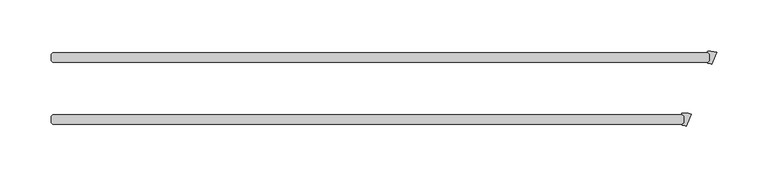
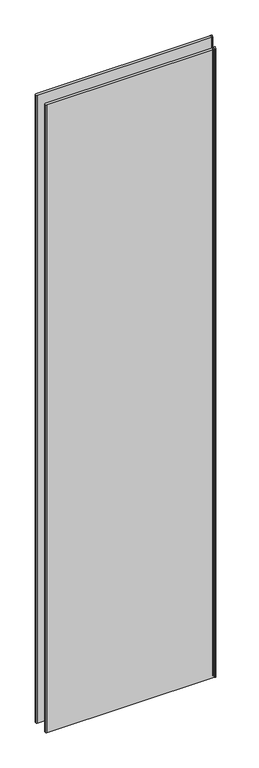
"""IFC4 building model written with IfcOpenShell, lengths in millimetres: plate geometry."""

from ifc_helpers import new_model, si_unit, point, frame_2d, origin, origin_with_axes, place, context, project, spatial, polyline, circle_curve, trimmed, segment, composite_curve, outline, extrude, source, transform, mapped, element, save


def plate_56c91f69(model_context):
    return source(origin(), model_context, "Body", "SweptSolid", [
        extrude(outline(composite_curve([segment(polyline([(331.659972, 35.1433375), (326.9309388, 23.7264413)]), True, "CONTINUOUS"), segment(trimmed(circle_curve(frame_2d((323.2331067, 16.386585)), 8.2187257), [point((326.9309388, 23.7264413))], [point((323.4004278, 24.6036073))], True, "CARTESIAN"), True, "CONTINUOUS"), segment(trimmed(circle_curve(frame_2d((323.4085076, 25.0004)), 0.396875), [point((323.4004278, 24.6036073))], [point((323.1278746, 25.2810331))], False, "CARTESIAN"), True, "CONTINUOUS"), segment(polyline([(323.1278746, 25.2810331), (324.8343416, 26.9875), (324.8343416, 33.3375), (322.7551339, 35.4167077)]), True, "CONTINUOUS"), segment(trimmed(circle_curve(frame_2d((323.0357669, 35.6973407)), 0.396875), [point((322.7551339, 35.4167077))], [point((322.9799997, 36.0902781))], False, "CARTESIAN"), True, "CONTINUOUS"), segment(trimmed(circle_curve(frame_2d((325.462995, 18.5950115)), 17.6705863), [point((322.9799997, 36.0902781))], [point((331.659972, 35.1433375))], False, "CARTESIAN"), True, "CONTINUOUS")], self_intersect=False)), origin_with_axes(), (0.0, 0.0, 1.0), 2428.7789267),
        extrude(outline(composite_curve([segment(polyline([(306.6725389, -25.1816625), (301.9435056, -36.5985587)]), True, "CONTINUOUS"), segment(trimmed(circle_curve(frame_2d((298.2456736, -43.938415)), 8.2187257), [point((301.9435056, -36.5985587))], [point((298.4129947, -35.7213927))], True, "CARTESIAN"), True, "CONTINUOUS"), segment(trimmed(circle_curve(frame_2d((298.4210745, -35.3246)), 0.396875), [point((298.4129947, -35.7213927))], [point((298.1404415, -35.0439669))], False, "CARTESIAN"), True, "CONTINUOUS"), segment(polyline([(298.1404415, -35.0439669), (299.8469084, -33.3375), (299.8469084, -26.9875), (297.7677007, -24.9082923)]), True, "CONTINUOUS"), segment(trimmed(circle_curve(frame_2d((298.0483337, -24.6276593)), 0.396875), [point((297.7677007, -24.9082923))], [point((297.9925665, -24.2347219))], False, "CARTESIAN"), True, "CONTINUOUS"), segment(trimmed(circle_curve(frame_2d((300.4755618, -41.7299885)), 17.6705863), [point((297.9925665, -24.2347219))], [point((306.6725389, -25.1816625))], False, "CARTESIAN"), True, "CONTINUOUS")], self_intersect=False)), origin_with_axes(), (0.0, 0.0, 1.0), 2428.7789267),
        extrude(outline(polyline([(298.2594084, -25.4), (299.8469084, -26.9875), (299.8469084, -33.3375), (298.2594084, -34.925), (-315.515625, -34.925), (-317.103125, -33.3375), (-317.103125, -26.9875), (-315.515625, -25.4), (298.2594084, -25.4)])), origin_with_axes(), (0.0, 0.0, 1.0), 2428.7789267),
        extrude(outline(polyline([(323.2468416, 34.925), (324.8343416, 33.3375), (324.8343416, 26.9875), (323.2468416, 25.4), (-315.515625, 25.4), (-317.103125, 26.9875), (-317.103125, 33.3375), (-315.515625, 34.925), (323.2468416, 34.925)])), origin_with_axes(), (0.0, 0.0, 1.0), 2428.7789267),
    ])


if __name__ == "__main__":
    model = new_model("IFC4")
    model_context = context("Model", 3, world=origin())
    ifc_project = project(units=[si_unit("LENGTHUNIT", "METRE", prefix="MILLI")], contexts=[model_context])
    site = spatial("IfcSite", under=ifc_project)
    building = spatial("IfcBuilding", under=site)
    placement = place(None, origin())
    plate_shape = plate_56c91f69(model_context)
    element("IfcPlate", 1, at=placement, inside=building, context=model_context, shape_type="MappedRepresentation", body=[
        mapped(plate_shape, transform((0.0, 0.0, 0.0), x_axis=(1.0, 0.0, 0.0), y_axis=(0.0, 1.0, 0.0), z_axis=(0.0, 0.0, 1.0))),
    ])
    save(model, "model.ifc")
